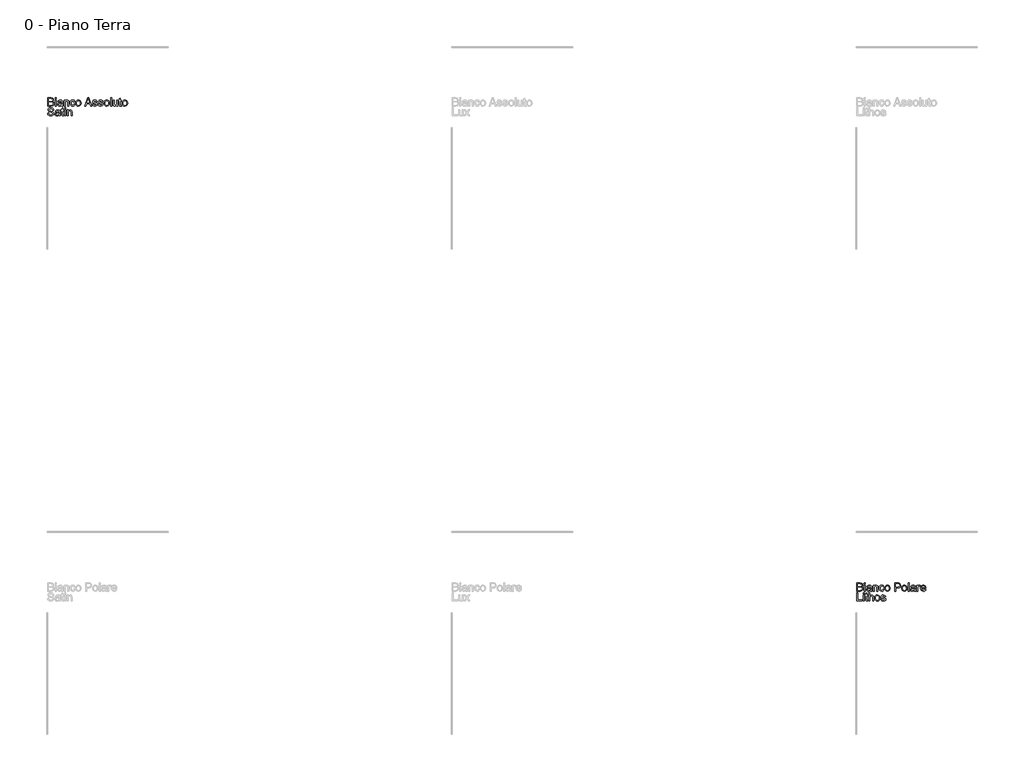
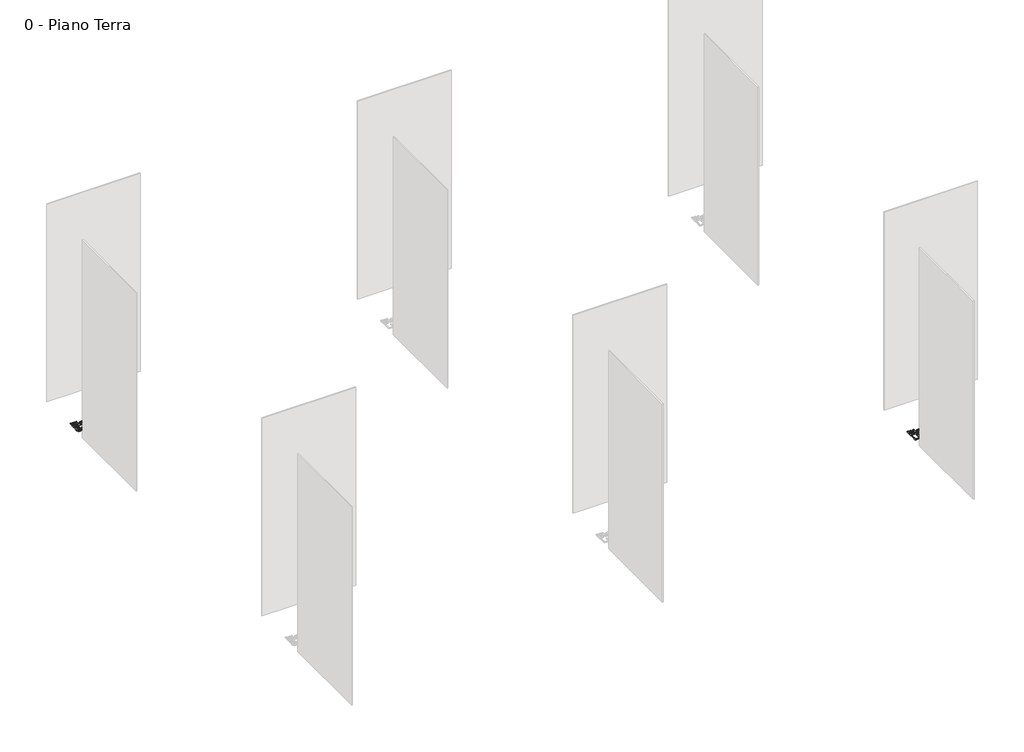
# One storey, part 28 of 35: 2 proxies.
"""IFC4 building model written with IfcOpenShell, lengths in millimetres."""

from ifc_helpers import new_model, si_unit, origin, origin_with_axes, place, context, project, spatial, polyline, outline, extrude, element, save

model = new_model("IFC4")

# Units and contexts
model_context = context("Model", 3, world=origin())
ifc_project = project(units=[si_unit("LENGTHUNIT", "METRE", prefix="MILLI")], contexts=[model_context])

# Site, building, storey
site = spatial("IfcSite", under=ifc_project)
building = spatial("IfcBuilding", under=site)
storey = spatial("IfcBuildingStorey", under=building, Name="0 - Piano Terra", Elevation=0.0)

# Proxies
placement = place(None, origin())
element("IfcBuildingElementProxy", 1, Name="Testo modello 1", ObjectType="Testo modello 1", at=placement, inside=storey, context=model_context, shape_type="SweptSolid", body=[
    extrude(outline(polyline([(2731.7292491, -6273.7592352), (2731.7292491, -6173.302925), (2770.062553, -6173.302925), (2788.8367975, -6176.2582437), (2799.9223082, -6185.344929), (2803.932222, -6198.1962733), (2800.5599704, -6209.931709), (2790.3696391, -6218.8221905), (2802.7427369, -6228.1909187), (2807.0714817, -6243.8136407), (2804.116163, -6257.31491), (2796.7953113, -6266.9288928), (2785.869216, -6272.0301898), (2769.7682474, -6273.7592352), (2731.7292491, -6273.7592352)]), holes=[polyline([(2744.2862878, -6214.113301), (2767.2175989, -6214.113301), (2780.6085035, -6213.0341805), (2788.6651192, -6208.3866046), (2791.3751832, -6200.2073616), (2788.8490602, -6192.0158558), (2781.6140476, -6187.1720762), (2765.4762908, -6185.8599638), (2744.2862878, -6185.8599638), (2744.2862878, -6214.113301)]), polyline([(2744.2862878, -6261.2021964), (2770.0380275, -6261.2021964), (2779.3577047, -6260.7116871), (2787.2426421, -6257.9770976), (2792.4665665, -6252.397554), (2794.5144429, -6243.9362681), (2792.1109472, -6234.1751325), (2784.3241117, -6228.3503342), (2768.8117542, -6226.6703398), (2744.2862878, -6226.6703398), (2744.2862878, -6261.2021964)])]), origin_with_axes(), (0.0, 0.0, 1.0), 10.0),
    extrude(outline(polyline([(2822.7677801, -6185.8599638), (2822.7677801, -6173.302925), (2835.3248189, -6173.302925), (2835.3248189, -6185.8599638), (2822.7677801, -6185.8599638)])), origin_with_axes(), (0.0, 0.0, 1.0), 10.0),
    extrude(outline(polyline([(2822.7677801, -6273.7592352), (2822.7677801, -6199.9866324), (2835.3248189, -6199.9866324), (2835.3248189, -6273.7592352), (2822.7677801, -6273.7592352)])), origin_with_axes(), (0.0, 0.0, 1.0), 10.0),
    extrude(outline(polyline([(2901.2492725, -6264.3414561), (2889.0723784, -6272.8517929), (2875.6201601, -6275.328865), (2865.1263262, -6273.8389429), (2857.3854759, -6269.3691767), (2852.612207, -6262.5817539), (2851.0211174, -6254.1388621), (2853.4246131, -6244.2060482), (2859.7399207, -6236.9955611), (2868.5323003, -6232.8752828), (2879.3970819, -6230.9868218), (2901.1756961, -6226.6703398), (2901.2492725, -6223.8744366), (2897.7911817, -6214.6038103), (2883.9097677, -6210.9740413), (2871.2055762, -6213.3897997), (2865.147786, -6221.9614502), (2852.5907472, -6220.3918204), (2858.023138, -6208.1290872), (2868.961496, -6200.9431256), (2885.5284485, -6198.4170025), (2900.7465004, -6200.64882), (2909.3426763, -6206.252889), (2913.1931746, -6214.7754886), (2913.8063112, -6225.7628975), (2913.8063112, -6241.3856196), (2914.4439733, -6263.2010219), (2916.9455709, -6273.7592352), (2904.3885321, -6273.7592352), (2901.2492725, -6264.3414561)]), holes=[polyline([(2901.2492725, -6239.2273785), (2880.9912373, -6243.0778768), (2870.1877693, -6245.1134905), (2865.2949388, -6248.4244284), (2863.5781561, -6253.2559453), (2867.3182898, -6260.0494995), (2878.293436, -6262.7718262), (2890.9976275, -6259.7674566), (2899.1891333, -6252.4956558), (2901.1756961, -6242.7835712), (2901.2492725, -6239.2273785)])]), origin_with_axes(), (0.0, 0.0, 1.0), 10.0),
    extrude(outline(polyline([(2931.0722395, -6273.7592352), (2931.0722395, -6199.9866324), (2943.6292783, -6199.9866324), (2943.6292783, -6210.2873283), (2953.2309984, -6201.384584), (2966.3398601, -6198.4170025), (2978.1979231, -6200.8082355), (2986.291327, -6207.0867549), (2990.0559861, -6216.320593), (2990.7181737, -6228.4606988), (2990.7181737, -6273.7592352), (2978.1611349, -6273.7592352), (2978.1611349, -6230.152956), (2976.7141324, -6219.0429197), (2971.6005727, -6213.1690705), (2962.9798712, -6210.9740413), (2949.3559747, -6215.90366), (2945.0609524, -6223.0467021), (2943.6292783, -6234.6165909), (2943.6292783, -6273.7592352), (2931.0722395, -6273.7592352)])), origin_with_axes(), (0.0, 0.0, 1.0), 10.0),
    extrude(outline(polyline([(3055.0729974, -6247.0755278), (3067.6300361, -6248.6451576), (3064.1290258, -6259.8134419), (3057.5500695, -6268.253268), (3048.5124351, -6273.5599657), (3037.6353908, -6275.328865), (3024.2782087, -6272.8609899), (3013.8334257, -6265.4573648), (3007.0919881, -6253.442952), (3004.8448423, -6237.1427139), (3008.6830778, -6216.2838048), (3020.3817252, -6202.8806374), (3037.4637125, -6198.4170025), (3048.0740424, -6199.9498442), (3056.5567881, -6204.5483691), (3062.6421694, -6211.9673227), (3066.0604063, -6221.9614502), (3053.5033675, -6223.5310801), (3047.6785693, -6214.1255637), (3037.5618144, -6210.9740413), (3029.4469507, -6212.5252771), (3023.0059501, -6217.1789843), (3018.8028983, -6225.1865491), (3017.4018811, -6236.7993574), (3018.7722415, -6248.5685155), (3022.8833228, -6256.6036714), (3029.2078274, -6261.2297875), (3037.2184579, -6262.7718262), (3049.0519954, -6258.921328), (3055.0729974, -6247.0755278)])), origin_with_axes(), (0.0, 0.0, 1.0), 10.0),
    extrude(outline(polyline([(3075.4781854, -6236.8729338), (3078.1943808, -6219.0858393), (3086.342967, -6206.5839828), (3096.4106709, -6200.4587476), (3108.4649376, -6198.4170025), (3121.6565728, -6200.9032717), (3132.1933263, -6208.3620791), (3139.1003108, -6220.2048137), (3141.4026389, -6235.8428642), (3137.3314115, -6258.185564), (3125.4733485, -6270.8284419), (3108.4649376, -6275.328865), (3095.1138869, -6272.8517929), (3084.5893961, -6265.4205766), (3077.7559881, -6253.3295217), (3075.4781854, -6236.8729338)]), holes=[polyline([(3088.0352241, -6236.8484083), (3089.488358, -6248.2128963), (3093.8477597, -6256.3093658), (3100.4083219, -6261.1562111), (3108.4649376, -6262.7718262), (3116.4847651, -6261.1470141), (3123.0330646, -6256.2725776), (3127.3924663, -6248.0688092), (3128.8456001, -6236.4560008), (3127.3832692, -6225.4226067), (3122.9962764, -6217.4365017), (3116.4387798, -6212.5896564), (3108.4649376, -6210.9740413), (3100.4083219, -6212.583525), (3093.8477597, -6217.4119762), (3089.488358, -6225.4900517), (3088.0352241, -6236.8484083)])]), origin_with_axes(), (0.0, 0.0, 1.0), 10.0),
    extrude(outline(polyline([(3184.6410361, -6273.7592352), (3224.7401735, -6173.302925), (3235.4332769, -6173.302925), (3275.5324143, -6273.7592352), (3262.2641371, -6273.7592352), (3250.7616933, -6242.3666382), (3209.3872316, -6242.3666382), (3197.9093134, -6273.7592352), (3184.6410361, -6273.7592352)]), holes=[polyline([(3213.9980193, -6229.8095995), (3246.1754311, -6229.8095995), (3237.125534, -6205.1124549), (3230.0867252, -6185.8599638), (3223.8327313, -6202.9542138), (3213.9980193, -6229.8095995)])]), origin_with_axes(), (0.0, 0.0, 1.0), 10.0),
    extrude(outline(polyline([(3282.6693251, -6251.7844173), (3295.2263638, -6250.2147875), (3301.0388993, -6259.5344647), (3314.3562276, -6262.7718262), (3327.158521, -6259.8042448), (3331.3278503, -6252.8390124), (3327.1339955, -6247.1981551), (3314.2090748, -6243.617437), (3295.2999402, -6237.4738077), (3287.0471208, -6230.3001088), (3284.2389549, -6220.1710912), (3286.4952978, -6210.8146258), (3292.6511899, -6203.6654523), (3300.6342292, -6199.9498442), (3311.4376971, -6198.4170025), (3326.7170626, -6200.8818119), (3336.4291473, -6207.5527388), (3340.7456294, -6218.8221905), (3328.1885906, -6220.3918204), (3323.4674383, -6213.4633761), (3312.4187157, -6210.9740413), (3300.4012372, -6213.3530115), (3296.7959937, -6218.8957669), (3298.2920471, -6222.5500614), (3302.9764112, -6225.3214391), (3313.7921418, -6227.994715), (3332.2230298, -6233.9053523), (3340.7824176, -6240.6008047), (3343.884889, -6251.5146372), (3340.2428573, -6263.5321157), (3329.733695, -6272.250919), (3314.1845493, -6275.328865), (3301.5232773, -6273.8450743), (3292.2833079, -6269.3937021), (3286.1151531, -6262.0237995), (3282.6693251, -6251.7844173)])), origin_with_axes(), (0.0, 0.0, 1.0), 10.0),
    extrude(outline(polyline([(3353.3026681, -6251.7844173), (3365.8597069, -6250.2147875), (3371.6722424, -6259.5344647), (3384.9895706, -6262.7718262), (3397.7918641, -6259.8042448), (3401.9611934, -6252.8390124), (3397.7673386, -6247.1981551), (3384.8424178, -6243.617437), (3365.9332833, -6237.4738077), (3357.6804639, -6230.3001088), (3354.872298, -6220.1710912), (3357.1286409, -6210.8146258), (3363.2845329, -6203.6654523), (3371.2675722, -6199.9498442), (3382.0710401, -6198.4170025), (3397.3504057, -6200.8818119), (3407.0624904, -6207.5527388), (3411.3789724, -6218.8221905), (3398.8219337, -6220.3918204), (3394.1007814, -6213.4633761), (3383.0520588, -6210.9740413), (3371.0345803, -6213.3530115), (3367.4293367, -6218.8957669), (3368.9253902, -6222.5500614), (3373.6097543, -6225.3214391), (3384.4254849, -6227.994715), (3402.8563729, -6233.9053523), (3411.4157606, -6240.6008047), (3414.5182321, -6251.5146372), (3410.8762004, -6263.5321157), (3400.367038, -6272.250919), (3384.8178924, -6275.328865), (3372.1566204, -6273.8450743), (3362.9166509, -6269.3937021), (3356.7484961, -6262.0237995), (3353.3026681, -6251.7844173)])), origin_with_axes(), (0.0, 0.0, 1.0), 10.0),
    extrude(outline(polyline([(3425.505641, -6236.8729338), (3428.2218364, -6219.0858393), (3436.3704226, -6206.5839828), (3446.4381266, -6200.4587476), (3458.4923933, -6198.4170025), (3471.6840285, -6200.9032717), (3482.220782, -6208.3620791), (3489.1277664, -6220.2048137), (3491.4300946, -6235.8428642), (3487.3588672, -6258.185564), (3475.5008042, -6270.8284419), (3458.4923933, -6275.328865), (3445.1413425, -6272.8517929), (3434.6168518, -6265.4205766), (3427.7834437, -6253.3295217), (3425.505641, -6236.8729338)]), holes=[polyline([(3438.0626798, -6236.8484083), (3439.5158137, -6248.2128963), (3443.8752153, -6256.3093658), (3450.4357776, -6261.1562111), (3458.4923933, -6262.7718262), (3466.5122208, -6261.1470141), (3473.0605203, -6256.2725776), (3477.4199219, -6248.0688092), (3478.8730558, -6236.4560008), (3477.4107249, -6225.4226067), (3473.0237321, -6217.4365017), (3466.4662355, -6212.5896564), (3458.4923933, -6210.9740413), (3450.4357776, -6212.583525), (3443.8752153, -6217.4119762), (3439.5158137, -6225.4900517), (3438.0626798, -6236.8484083)])]), origin_with_axes(), (0.0, 0.0, 1.0), 10.0),
    extrude(outline(polyline([(3505.5567632, -6273.7592352), (3505.5567632, -6173.302925), (3518.113802, -6173.302925), (3518.113802, -6273.7592352), (3505.5567632, -6273.7592352)])), origin_with_axes(), (0.0, 0.0, 1.0), 10.0),
    extrude(outline(polyline([(3584.0382555, -6273.7592352), (3584.0382555, -6261.0795691), (3574.2035435, -6271.766541), (3561.3767246, -6275.328865), (3549.5677126, -6272.8272674), (3541.4252577, -6266.548748), (3537.6851241, -6257.3026472), (3536.9493601, -6245.6285253), (3536.9493601, -6199.9866324), (3549.5063989, -6199.9866324), (3549.5063989, -6239.7178879), (3550.2666883, -6252.5201813), (3555.2330953, -6260.0372367), (3564.5895607, -6262.7718262), (3575.0741976, -6259.9759231), (3582.0026418, -6252.3607658), (3584.0382555, -6238.3689872), (3584.0382555, -6199.9866324), (3596.5952943, -6199.9866324), (3596.5952943, -6273.7592352), (3584.0382555, -6273.7592352)])), origin_with_axes(), (0.0, 0.0, 1.0), 10.0),
    extrude(outline(polyline([(3640.54493, -6263.286861), (3642.1145598, -6274.1271171), (3632.7213062, -6275.328865), (3622.1998811, -6273.2442004), (3616.9514313, -6267.7750214), (3615.4308524, -6253.5257254), (3615.4308524, -6212.5436712), (3606.0130733, -6212.5436712), (3606.0130733, -6199.9866324), (3615.4308524, -6199.9866324), (3615.4308524, -6182.0585165), (3627.9878912, -6174.6763511), (3627.9878912, -6199.9866324), (3640.54493, -6199.9866324), (3640.54493, -6212.5436712), (3627.9878912, -6212.5436712), (3627.9878912, -6253.1578434), (3628.6500788, -6259.6325665), (3630.7960571, -6261.9256976), (3635.075751, -6262.7718262), (3640.54493, -6263.286861)])), origin_with_axes(), (0.0, 0.0, 1.0), 10.0),
    extrude(outline(polyline([(3649.962709, -6236.8729338), (3652.6789044, -6219.0858393), (3660.8274906, -6206.5839828), (3670.8951946, -6200.4587476), (3682.9494613, -6198.4170025), (3696.1410965, -6200.9032717), (3706.67785, -6208.3620791), (3713.5848344, -6220.2048137), (3715.8871626, -6235.8428642), (3711.8159352, -6258.185564), (3699.9578722, -6270.8284419), (3682.9494613, -6275.328865), (3669.5984105, -6272.8517929), (3659.0739198, -6265.4205766), (3652.2405117, -6253.3295217), (3649.962709, -6236.8729338)]), holes=[polyline([(3662.5197478, -6236.8484083), (3663.9728817, -6248.2128963), (3668.3322833, -6256.3093658), (3674.8928456, -6261.1562111), (3682.9494613, -6262.7718262), (3690.9692888, -6261.1470141), (3697.5175883, -6256.2725776), (3701.8769899, -6248.0688092), (3703.3301238, -6236.4560008), (3701.8677929, -6225.4226067), (3697.4808001, -6217.4365017), (3690.9233035, -6212.5896564), (3682.9494613, -6210.9740413), (3674.8928456, -6212.583525), (3668.3322833, -6217.4119762), (3663.9728817, -6225.4900517), (3662.5197478, -6236.8484083)])]), origin_with_axes(), (0.0, 0.0, 1.0), 10.0),
    extrude(outline(polyline([(2727.0203595, -6361.2021964), (2739.5773983, -6361.2021964), (2743.6241003, -6373.7714979), (2753.5078632, -6381.717749), (2768.5664995, -6384.7466441), (2781.687624, -6382.453513), (2790.1611726, -6376.1504681), (2792.9448131, -6367.7259704), (2790.8601484, -6359.8900839), (2782.3252861, -6354.187913), (2764.041551, -6349.3931843), (2744.3598642, -6343.2005041), (2733.6790237, -6333.8563014), (2730.1596192, -6321.372839), (2734.5128895, -6307.1603313), (2747.2293438, -6297.1294156), (2765.8441728, -6293.708113), (2785.7098005, -6297.2888311), (2798.9535523, -6307.8102561), (2803.932222, -6323.5310801), (2791.3751832, -6323.5310801), (2789.0697894, -6316.0385501), (2784.262798, -6310.6306848), (2766.3346821, -6306.2651518), (2748.3575153, -6310.5816338), (2742.716658, -6321.004957), (2746.714309, -6329.7114976), (2767.2175989, -6336.725781), (2789.4376714, -6343.0288258), (2801.59004, -6353.2068944), (2805.5018518, -6367.4071394), (2801.0014288, -6382.4289875), (2788.0519825, -6393.391871), (2769.0570089, -6397.3036828), (2746.6284699, -6393.0853026), (2732.4404876, -6380.3811111), (2727.0203595, -6361.2021964)])), origin_with_axes(), (0.0, 0.0, 1.0), 10.0),
    extrude(outline(polyline([(2869.8566755, -6386.3162739), (2857.6797815, -6394.8266107), (2844.2275632, -6397.3036828), (2833.7337293, -6395.8137608), (2825.992879, -6391.3439945), (2821.2196101, -6384.5565717), (2819.6285205, -6376.1136799), (2822.0320162, -6366.1808661), (2828.3473237, -6358.9703789), (2837.1397034, -6354.8501006), (2848.004485, -6352.9616397), (2869.7830991, -6348.6451576), (2869.8566755, -6345.8492545), (2866.3985848, -6336.5786282), (2852.5171708, -6332.9488592), (2839.8129793, -6335.3646176), (2833.7551891, -6343.9362681), (2821.1981503, -6342.3666382), (2826.6305411, -6330.1039051), (2837.5688991, -6322.9179434), (2854.1358516, -6320.3918204), (2869.3539035, -6322.6236378), (2877.9500794, -6328.2277069), (2881.8005776, -6336.7503064), (2882.4137143, -6347.7377154), (2882.4137143, -6363.3604374), (2883.0513764, -6385.1758397), (2885.552974, -6395.734053), (2872.9959352, -6395.734053), (2869.8566755, -6386.3162739)]), holes=[polyline([(2869.8566755, -6361.2021964), (2849.5986403, -6365.0526946), (2838.7951724, -6367.0883083), (2833.9023419, -6370.3992463), (2832.1855592, -6375.2307631), (2835.9256928, -6382.0243173), (2846.900839, -6384.7466441), (2859.6050306, -6381.7422744), (2867.7965364, -6374.4704737), (2869.7830991, -6364.758389), (2869.8566755, -6361.2021964)])]), origin_with_axes(), (0.0, 0.0, 1.0), 10.0),
    extrude(outline(polyline([(2926.36335, -6385.2616789), (2927.9329798, -6396.101935), (2918.5397262, -6397.3036828), (2908.0183012, -6395.2190182), (2902.7698514, -6389.7498392), (2901.2492725, -6375.5005433), (2901.2492725, -6334.518489), (2891.8314934, -6334.518489), (2891.8314934, -6321.9614502), (2901.2492725, -6321.9614502), (2901.2492725, -6304.0333343), (2913.8063112, -6296.651169), (2913.8063112, -6321.9614502), (2926.36335, -6321.9614502), (2926.36335, -6334.518489), (2913.8063112, -6334.518489), (2913.8063112, -6375.1326613), (2914.4684988, -6381.6073844), (2916.6144771, -6383.9005155), (2920.894171, -6384.7466441), (2926.36335, -6385.2616789)])), origin_with_axes(), (0.0, 0.0, 1.0), 10.0),
    extrude(outline(polyline([(2938.9203888, -6307.8347816), (2938.9203888, -6295.2777428), (2951.4774275, -6295.2777428), (2951.4774275, -6307.8347816), (2938.9203888, -6307.8347816)])), origin_with_axes(), (0.0, 0.0, 1.0), 10.0),
    extrude(outline(polyline([(2938.9203888, -6395.734053), (2938.9203888, -6321.9614502), (2951.4774275, -6321.9614502), (2951.4774275, -6395.734053), (2938.9203888, -6395.734053)])), origin_with_axes(), (0.0, 0.0, 1.0), 10.0),
    extrude(outline(polyline([(2970.3129857, -6395.734053), (2970.3129857, -6321.9614502), (2982.8700244, -6321.9614502), (2982.8700244, -6332.2621461), (2992.4717445, -6323.3594018), (3005.5806063, -6320.3918204), (3017.4386693, -6322.7830534), (3025.5320732, -6329.0615727), (3029.2967322, -6338.2954108), (3029.9589198, -6350.4355167), (3029.9589198, -6395.734053), (3017.4018811, -6395.734053), (3017.4018811, -6352.1277738), (3015.9548785, -6341.0177376), (3010.8413188, -6335.1438884), (3002.2206174, -6332.9488592), (2988.5967208, -6337.8784779), (2984.3016985, -6345.02152), (2982.8700244, -6356.5914087), (2982.8700244, -6395.734053), (2970.3129857, -6395.734053)])), origin_with_axes(), (0.0, 0.0, 1.0), 10.0),
])
element("IfcBuildingElementProxy", 2, Name="Testo modello 1", ObjectType="Testo modello 1", at=placement, inside=storey, context=model_context, shape_type="SweptSolid", body=[
    extrude(outline(polyline([(12731.7292491, -12273.7592352), (12731.7292491, -12173.302925), (12770.062553, -12173.302925), (12788.8367975, -12176.2582437), (12799.9223082, -12185.344929), (12803.932222, -12198.1962733), (12800.5599704, -12209.931709), (12790.3696391, -12218.8221905), (12802.7427369, -12228.1909187), (12807.0714817, -12243.8136407), (12804.116163, -12257.31491), (12796.7953113, -12266.9288928), (12785.869216, -12272.0301898), (12769.7682474, -12273.7592352), (12731.7292491, -12273.7592352)]), holes=[polyline([(12744.2862878, -12214.113301), (12767.2175989, -12214.113301), (12780.6085035, -12213.0341805), (12788.6651192, -12208.3866046), (12791.3751832, -12200.2073616), (12788.8490602, -12192.0158558), (12781.6140476, -12187.1720762), (12765.4762908, -12185.8599638), (12744.2862878, -12185.8599638), (12744.2862878, -12214.113301)]), polyline([(12744.2862878, -12261.2021964), (12770.0380275, -12261.2021964), (12779.3577047, -12260.7116871), (12787.2426421, -12257.9770976), (12792.4665665, -12252.397554), (12794.5144429, -12243.9362681), (12792.1109472, -12234.1751325), (12784.3241117, -12228.3503342), (12768.8117542, -12226.6703398), (12744.2862878, -12226.6703398), (12744.2862878, -12261.2021964)])]), origin_with_axes(), (0.0, 0.0, 1.0), 10.0),
    extrude(outline(polyline([(12822.7677801, -12185.8599638), (12822.7677801, -12173.302925), (12835.3248189, -12173.302925), (12835.3248189, -12185.8599638), (12822.7677801, -12185.8599638)])), origin_with_axes(), (0.0, 0.0, 1.0), 10.0),
    extrude(outline(polyline([(12822.7677801, -12273.7592352), (12822.7677801, -12199.9866324), (12835.3248189, -12199.9866324), (12835.3248189, -12273.7592352), (12822.7677801, -12273.7592352)])), origin_with_axes(), (0.0, 0.0, 1.0), 10.0),
    extrude(outline(polyline([(12901.2492725, -12264.3414561), (12889.0723784, -12272.8517929), (12875.6201601, -12275.328865), (12865.1263262, -12273.8389429), (12857.3854759, -12269.3691767), (12852.612207, -12262.5817539), (12851.0211174, -12254.1388621), (12853.4246131, -12244.2060482), (12859.7399207, -12236.9955611), (12868.5323003, -12232.8752828), (12879.3970819, -12230.9868218), (12901.1756961, -12226.6703398), (12901.2492725, -12223.8744366), (12897.7911817, -12214.6038103), (12883.9097677, -12210.9740413), (12871.2055762, -12213.3897997), (12865.147786, -12221.9614502), (12852.5907472, -12220.3918204), (12858.023138, -12208.1290872), (12868.961496, -12200.9431256), (12885.5284485, -12198.4170025), (12900.7465004, -12200.64882), (12909.3426763, -12206.252889), (12913.1931746, -12214.7754886), (12913.8063112, -12225.7628975), (12913.8063112, -12241.3856196), (12914.4439733, -12263.2010219), (12916.9455709, -12273.7592352), (12904.3885321, -12273.7592352), (12901.2492725, -12264.3414561)]), holes=[polyline([(12901.2492725, -12239.2273785), (12880.9912373, -12243.0778768), (12870.1877693, -12245.1134905), (12865.2949388, -12248.4244284), (12863.5781561, -12253.2559453), (12867.3182898, -12260.0494995), (12878.293436, -12262.7718262), (12890.9976275, -12259.7674566), (12899.1891333, -12252.4956558), (12901.1756961, -12242.7835712), (12901.2492725, -12239.2273785)])]), origin_with_axes(), (0.0, 0.0, 1.0), 10.0),
    extrude(outline(polyline([(12931.0722395, -12273.7592352), (12931.0722395, -12199.9866324), (12943.6292783, -12199.9866324), (12943.6292783, -12210.2873283), (12953.2309984, -12201.384584), (12966.3398601, -12198.4170025), (12978.1979231, -12200.8082355), (12986.291327, -12207.0867549), (12990.0559861, -12216.320593), (12990.7181737, -12228.4606988), (12990.7181737, -12273.7592352), (12978.1611349, -12273.7592352), (12978.1611349, -12230.152956), (12976.7141324, -12219.0429197), (12971.6005727, -12213.1690705), (12962.9798712, -12210.9740413), (12949.3559747, -12215.90366), (12945.0609524, -12223.0467021), (12943.6292783, -12234.6165909), (12943.6292783, -12273.7592352), (12931.0722395, -12273.7592352)])), origin_with_axes(), (0.0, 0.0, 1.0), 10.0),
    extrude(outline(polyline([(13055.0729974, -12247.0755278), (13067.6300361, -12248.6451576), (13064.1290258, -12259.8134419), (13057.5500695, -12268.253268), (13048.5124351, -12273.5599657), (13037.6353908, -12275.328865), (13024.2782087, -12272.8609899), (13013.8334257, -12265.4573648), (13007.0919881, -12253.442952), (13004.8448423, -12237.1427139), (13008.6830778, -12216.2838048), (13020.3817252, -12202.8806374), (13037.4637125, -12198.4170025), (13048.0740424, -12199.9498442), (13056.5567881, -12204.5483691), (13062.6421694, -12211.9673227), (13066.0604063, -12221.9614502), (13053.5033675, -12223.5310801), (13047.6785693, -12214.1255637), (13037.5618144, -12210.9740413), (13029.4469507, -12212.5252771), (13023.0059501, -12217.1789843), (13018.8028983, -12225.1865491), (13017.4018811, -12236.7993574), (13018.7722415, -12248.5685155), (13022.8833228, -12256.6036714), (13029.2078274, -12261.2297875), (13037.2184579, -12262.7718262), (13049.0519954, -12258.921328), (13055.0729974, -12247.0755278)])), origin_with_axes(), (0.0, 0.0, 1.0), 10.0),
    extrude(outline(polyline([(13075.4781854, -12236.8729338), (13078.1943808, -12219.0858393), (13086.342967, -12206.5839828), (13096.4106709, -12200.4587476), (13108.4649376, -12198.4170025), (13121.6565728, -12200.9032717), (13132.1933263, -12208.3620791), (13139.1003108, -12220.2048137), (13141.4026389, -12235.8428642), (13137.3314115, -12258.185564), (13125.4733485, -12270.8284419), (13108.4649376, -12275.328865), (13095.1138869, -12272.8517929), (13084.5893961, -12265.4205766), (13077.7559881, -12253.3295217), (13075.4781854, -12236.8729338)]), holes=[polyline([(13088.0352241, -12236.8484083), (13089.488358, -12248.2128963), (13093.8477597, -12256.3093658), (13100.4083219, -12261.1562111), (13108.4649376, -12262.7718262), (13116.4847651, -12261.1470141), (13123.0330646, -12256.2725776), (13127.3924663, -12248.0688092), (13128.8456001, -12236.4560008), (13127.3832692, -12225.4226067), (13122.9962764, -12217.4365017), (13116.4387798, -12212.5896564), (13108.4649376, -12210.9740413), (13100.4083219, -12212.583525), (13093.8477597, -12217.4119762), (13089.488358, -12225.4900517), (13088.0352241, -12236.8484083)])]), origin_with_axes(), (0.0, 0.0, 1.0), 10.0),
    extrude(outline(polyline([(13196.3396835, -12273.7592352), (13196.3396835, -12173.302925), (13233.5693414, -12173.302925), (13248.5789268, -12174.2594182), (13260.7803463, -12178.956045), (13268.6898092, -12188.6681297), (13271.6819161, -12202.3656026), (13269.6616308, -12214.2052715), (13263.600775, -12224.0706403), (13252.2669438, -12230.7293044), (13234.4277328, -12232.9488592), (13208.8967223, -12232.9488592), (13208.8967223, -12273.7592352), (13196.3396835, -12273.7592352)]), holes=[polyline([(13208.8967223, -12220.3918204), (13235.1634967, -12220.3918204), (13253.6556984, -12215.7810327), (13257.7575826, -12210.232146), (13259.1248774, -12202.807061), (13255.8997785, -12192.4082633), (13247.4262299, -12186.7183551), (13234.8691911, -12185.8599638), (13208.8967223, -12185.8599638), (13208.8967223, -12220.3918204)])]), origin_with_axes(), (0.0, 0.0, 1.0), 10.0),
    extrude(outline(polyline([(13284.2389549, -12236.8729338), (13286.9551503, -12219.0858393), (13295.1037365, -12206.5839828), (13305.1714404, -12200.4587476), (13317.2257071, -12198.4170025), (13330.4173423, -12200.9032717), (13340.9540958, -12208.3620791), (13347.8610803, -12220.2048137), (13350.1634084, -12235.8428642), (13346.092181, -12258.185564), (13334.234118, -12270.8284419), (13317.2257071, -12275.328865), (13303.8746564, -12272.8517929), (13293.3501656, -12265.4205766), (13286.5167576, -12253.3295217), (13284.2389549, -12236.8729338)]), holes=[polyline([(13296.7959937, -12236.8484083), (13298.2491275, -12248.2128963), (13302.6085292, -12256.3093658), (13309.1690914, -12261.1562111), (13317.2257071, -12262.7718262), (13325.2455346, -12261.1470141), (13331.7938341, -12256.2725776), (13336.1532358, -12248.0688092), (13337.6063697, -12236.4560008), (13336.1440387, -12225.4226067), (13331.7570459, -12217.4365017), (13325.1995494, -12212.5896564), (13317.2257071, -12210.9740413), (13309.1690914, -12212.583525), (13302.6085292, -12217.4119762), (13298.2491275, -12225.4900517), (13296.7959937, -12236.8484083)])]), origin_with_axes(), (0.0, 0.0, 1.0), 10.0),
    extrude(outline(polyline([(13364.290077, -12273.7592352), (13364.290077, -12173.302925), (13376.8471158, -12173.302925), (13376.8471158, -12273.7592352), (13364.290077, -12273.7592352)])), origin_with_axes(), (0.0, 0.0, 1.0), 10.0),
    extrude(outline(polyline([(13442.7715694, -12264.3414561), (13430.5946753, -12272.8517929), (13417.142457, -12275.328865), (13406.6486231, -12273.8389429), (13398.9077728, -12269.3691767), (13394.1345039, -12262.5817539), (13392.5434143, -12254.1388621), (13394.94691, -12244.2060482), (13401.2622176, -12236.9955611), (13410.0545972, -12232.8752828), (13420.9193788, -12230.9868218), (13442.697993, -12226.6703398), (13442.7715694, -12223.8744366), (13439.3134786, -12214.6038103), (13425.4320646, -12210.9740413), (13412.7278731, -12213.3897997), (13406.6700829, -12221.9614502), (13394.1130441, -12220.3918204), (13399.5454349, -12208.1290872), (13410.4837929, -12200.9431256), (13427.0507454, -12198.4170025), (13442.2687973, -12200.64882), (13450.8649732, -12206.252889), (13454.7154715, -12214.7754886), (13455.3286081, -12225.7628975), (13455.3286081, -12241.3856196), (13455.9662702, -12263.2010219), (13458.4678678, -12273.7592352), (13445.910829, -12273.7592352), (13442.7715694, -12264.3414561)]), holes=[polyline([(13442.7715694, -12239.2273785), (13422.5135342, -12243.0778768), (13411.7100662, -12245.1134905), (13406.8172357, -12248.4244284), (13405.100453, -12253.2559453), (13408.8405867, -12260.0494995), (13419.8157329, -12262.7718262), (13432.5199244, -12259.7674566), (13440.7114302, -12252.4956558), (13442.697993, -12242.7835712), (13442.7715694, -12239.2273785)])]), origin_with_axes(), (0.0, 0.0, 1.0), 10.0),
    extrude(outline(polyline([(13472.5945364, -12273.7592352), (13472.5945364, -12199.9866324), (13483.5819454, -12199.9866324), (13483.5819454, -12210.9004649), (13491.3810436, -12200.8450237), (13499.2291929, -12198.4170025), (13511.8352826, -12202.2920262), (13507.6414278, -12213.5492153), (13498.81226, -12210.9740413), (13491.7121374, -12213.4511134), (13487.1871889, -12220.318244), (13485.1515752, -12234.9844729), (13485.1515752, -12273.7592352), (13472.5945364, -12273.7592352)])), origin_with_axes(), (0.0, 0.0, 1.0), 10.0),
    extrude(outline(polyline([(13571.3340639, -12251.7844173), (13583.645848, -12253.3540472), (13579.2098043, -12262.6308048), (13572.1311416, -12269.5653804), (13562.5692754, -12273.8879938), (13550.6836213, -12275.328865), (13535.9499474, -12272.8425958), (13524.6130505, -12265.3837884), (13517.3841693, -12253.4368206), (13514.9745423, -12237.4860704), (13517.4086948, -12220.9988257), (13524.7111524, -12208.6686475), (13535.8947651, -12200.9799138), (13549.9723827, -12198.4170025), (13563.6116077, -12200.9737824), (13574.5101118, -12208.644122), (13581.6562196, -12220.9497747), (13584.0382555, -12237.412494), (13583.9646791, -12240.7970084), (13527.531581, -12240.7970084), (13529.7051505, -12250.1963934), (13534.7543309, -12257.1064435), (13542.0414601, -12261.3554805), (13550.9288759, -12262.7718262), (13563.24066, -12260.1476013), (13571.3340639, -12251.7844173)]), holes=[polyline([(13527.531581, -12228.2399696), (13571.4812167, -12228.2399696), (13566.4534961, -12216.8601532), (13559.1326444, -12212.4455693), (13549.9233318, -12210.9740413), (13534.4600253, -12215.6706681), (13529.5947859, -12221.1613069), (13527.531581, -12228.2399696)])]), origin_with_axes(), (0.0, 0.0, 1.0), 10.0),
    extrude(outline(polyline([(12731.7292491, -12395.734053), (12731.7292491, -12295.2777428), (12744.2862878, -12295.2777428), (12744.2862878, -12383.1770142), (12794.5144429, -12383.1770142), (12794.5144429, -12395.734053), (12731.7292491, -12395.734053)])), origin_with_axes(), (0.0, 0.0, 1.0), 10.0),
    extrude(outline(polyline([(12807.0714817, -12307.8347816), (12807.0714817, -12295.2777428), (12819.6285205, -12295.2777428), (12819.6285205, -12307.8347816), (12807.0714817, -12307.8347816)])), origin_with_axes(), (0.0, 0.0, 1.0), 10.0),
    extrude(outline(polyline([(12807.0714817, -12395.734053), (12807.0714817, -12321.9614502), (12819.6285205, -12321.9614502), (12819.6285205, -12395.734053), (12807.0714817, -12395.734053)])), origin_with_axes(), (0.0, 0.0, 1.0), 10.0),
    extrude(outline(polyline([(12865.147786, -12385.2616789), (12866.7174158, -12396.101935), (12857.3241622, -12397.3036828), (12846.8027372, -12395.2190182), (12841.5542874, -12389.7498392), (12840.0337085, -12375.5005433), (12840.0337085, -12334.518489), (12830.6159294, -12334.518489), (12830.6159294, -12321.9614502), (12840.0337085, -12321.9614502), (12840.0337085, -12304.0333343), (12852.5907472, -12296.651169), (12852.5907472, -12321.9614502), (12865.147786, -12321.9614502), (12865.147786, -12334.518489), (12852.5907472, -12334.518489), (12852.5907472, -12375.1326613), (12853.2529348, -12381.6073844), (12855.3989131, -12383.9005155), (12859.678607, -12384.7466441), (12865.147786, -12385.2616789)])), origin_with_axes(), (0.0, 0.0, 1.0), 10.0),
    extrude(outline(polyline([(12877.7048248, -12395.734053), (12877.7048248, -12295.2777428), (12890.2618635, -12295.2777428), (12890.2618635, -12332.2130952), (12900.053656, -12323.3471391), (12912.114054, -12320.3918204), (12926.2161972, -12323.6169192), (12934.7755849, -12332.5319262), (12937.3507589, -12349.0375651), (12937.3507589, -12395.734053), (12924.7937201, -12395.734053), (12924.7937201, -12350.3374148), (12920.7960691, -12337.093663), (12909.4653037, -12332.9488592), (12899.1768705, -12335.7447623), (12892.30974, -12343.3231314), (12890.2618635, -12356.5423578), (12890.2618635, -12395.734053), (12877.7048248, -12395.734053)])), origin_with_axes(), (0.0, 0.0, 1.0), 10.0),
    extrude(outline(polyline([(12951.4774275, -12358.8477516), (12954.1936229, -12341.0606571), (12962.3422091, -12328.5588007), (12972.4099131, -12322.4335655), (12984.4641798, -12320.3918204), (12997.655815, -12322.8780895), (13008.1925685, -12330.336897), (13015.0995529, -12342.1796315), (13017.4018811, -12357.817682), (13013.3306537, -12380.1603819), (13001.4725907, -12392.8032598), (12984.4641798, -12397.3036828), (12971.113129, -12394.8266107), (12960.5886383, -12387.3953944), (12953.7552302, -12375.3043395), (12951.4774275, -12358.8477516)]), holes=[polyline([(12964.0344663, -12358.8232261), (12965.4876002, -12370.1877141), (12969.8470018, -12378.2841837), (12976.4075641, -12383.131029), (12984.4641798, -12384.7466441), (12992.4840073, -12383.1218319), (12999.0323068, -12378.2473955), (13003.3917084, -12370.043627), (13004.8448423, -12358.4308187), (13003.3825114, -12347.3974245), (12998.9955186, -12339.4113195), (12992.438022, -12334.5644742), (12984.4641798, -12332.9488592), (12976.4075641, -12334.5583429), (12969.8470018, -12339.3867941), (12965.4876002, -12347.4648695), (12964.0344663, -12358.8232261)])]), origin_with_axes(), (0.0, 0.0, 1.0), 10.0),
    extrude(outline(polyline([(13026.8196601, -12373.7592352), (13039.3766989, -12372.1896053), (13045.1892344, -12381.5092825), (13058.5065627, -12384.7466441), (13071.3088561, -12381.7790626), (13075.4781854, -12374.8138302), (13071.2843306, -12369.1729729), (13058.3594099, -12365.5922549), (13039.4502753, -12359.4486255), (13031.1974559, -12352.2749266), (13028.38929, -12342.145909), (13030.6456329, -12332.7894436), (13036.8015249, -12325.6402702), (13044.7845642, -12321.924662), (13055.5880322, -12320.3918204), (13070.8673977, -12322.8566298), (13080.5794824, -12329.5275566), (13084.8959644, -12340.7970084), (13072.3389257, -12342.3666382), (13067.6177734, -12335.438194), (13056.5690508, -12332.9488592), (13044.5515723, -12335.3278294), (13040.9463288, -12340.8705848), (13042.4423822, -12344.5248793), (13047.1267463, -12347.296257), (13057.9424769, -12349.9695328), (13076.3733649, -12355.8801702), (13084.9327526, -12362.5756225), (13088.0352241, -12373.489455), (13084.3931924, -12385.5069335), (13073.8840301, -12394.2257368), (13058.3348844, -12397.3036828), (13045.6736124, -12395.8198921), (13036.4336429, -12391.36852), (13030.2654882, -12383.9986174), (13026.8196601, -12373.7592352)])), origin_with_axes(), (0.0, 0.0, 1.0), 10.0),
])

save(model, "model.ifc")
